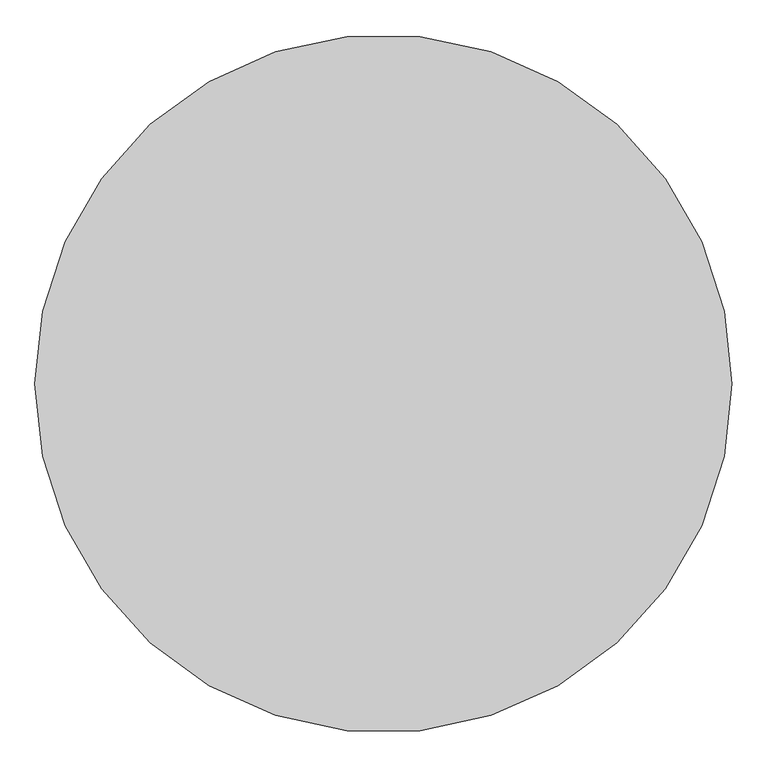
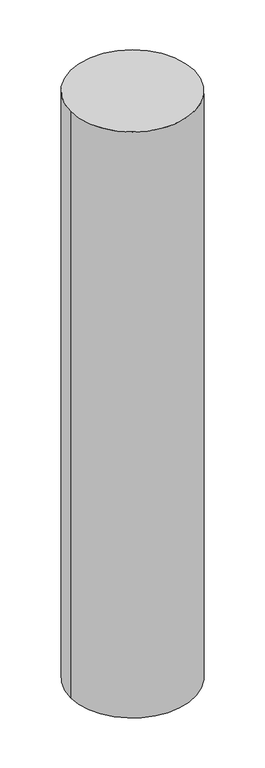
"""IFC4 building model written with IfcOpenShell, lengths in millimetres: proxy geometry."""

from ifc_helpers import new_model, si_unit, point, origin, origin_with_axes, origin_2d, place, context, project, spatial, circle_curve, trimmed, segment, composite_curve, outline, extrude, source, transform, mapped, element, save


def generic_models_80e6b5ae(model_context):
    return source(origin(), model_context, "Body", "SweptSolid", [
        extrude(outline(composite_curve([segment(trimmed(circle_curve(origin_2d(), 1500.0), [point((-1500.0, 0.0))], [point((1500.0, 0.0))], False, "CARTESIAN"), True, "CONTINUOUS"), segment(trimmed(circle_curve(origin_2d(), 1500.0), [point((1500.0, 0.0))], [point((-1500.0, 0.0))], False, "CARTESIAN"), True, "CONTINUOUS")], self_intersect=False)), origin_with_axes(), (0.0, 0.0, 1.0), 15000.0),
    ])


if __name__ == "__main__":
    model = new_model("IFC4")
    model_context = context("Model", 3, world=origin())
    ifc_project = project(units=[si_unit("LENGTHUNIT", "METRE", prefix="MILLI")], contexts=[model_context])
    site = spatial("IfcSite", under=ifc_project)
    building = spatial("IfcBuilding", under=site)
    placement = place(None, origin())
    generic_models_shape = generic_models_80e6b5ae(model_context)
    element("IfcBuildingElementProxy", 1, Name="Generic Models", at=placement, inside=building, context=model_context, shape_type="MappedRepresentation", body=[
        mapped(generic_models_shape, transform((0.0, 0.0, 0.0), x_axis=(1.0, 0.0, 0.0), y_axis=(0.0, 1.0, 0.0), z_axis=(0.0, 0.0, 1.0))),
    ])
    save(model, "model.ifc")
